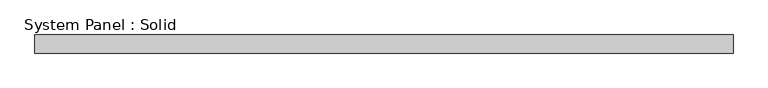
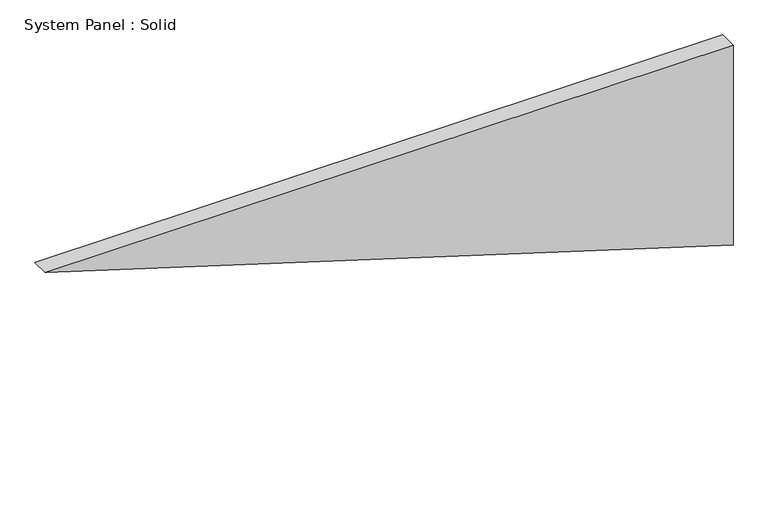
"""IFC4 building model written with IfcOpenShell, lengths in millimetres: plate geometry, System Panel : Solid."""

from ifc_helpers import new_model, si_unit, frame, origin, place, context, project, spatial, polyline, outline, extrude, source, transform, mapped, element, save


def system_panel_solid_06c5c8db(model_context):
    return source(origin(), model_context, "Body", "SweptSolid", [
        extrude(outline(polyline([(711.0870649, -1155.0313079), (0.0, 1155.0313079), (711.0870649, 1155.0313079), (711.0870649, -1155.0313079)])), frame((0.0, -10.5, 0.0), z_axis=(0.0, 1.0, 0.0), x_axis=(0.0, 0.0, 1.0)), (0.0, 0.0, 1.0), 60.0),
    ])


if __name__ == "__main__":
    model = new_model("IFC4")
    model_context = context("Model", 3, world=origin())
    ifc_project = project(units=[si_unit("LENGTHUNIT", "METRE", prefix="MILLI")], contexts=[model_context])
    site = spatial("IfcSite", under=ifc_project)
    building = spatial("IfcBuilding", under=site)
    placement = place(None, origin())
    system_panel_solid_shape = system_panel_solid_06c5c8db(model_context)
    element("IfcPlate", 1, ObjectType="System Panel : Solid", at=placement, inside=building, context=model_context, shape_type="MappedRepresentation", body=[
        mapped(system_panel_solid_shape, transform((0.0, 0.0, 0.0), x_axis=(1.0, 0.0, 0.0), y_axis=(0.0, 1.0, 0.0), z_axis=(0.0, 0.0, 1.0))),
    ])
    save(model, "model.ifc")
